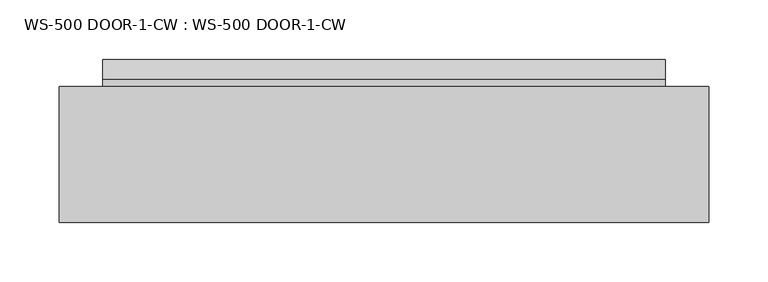
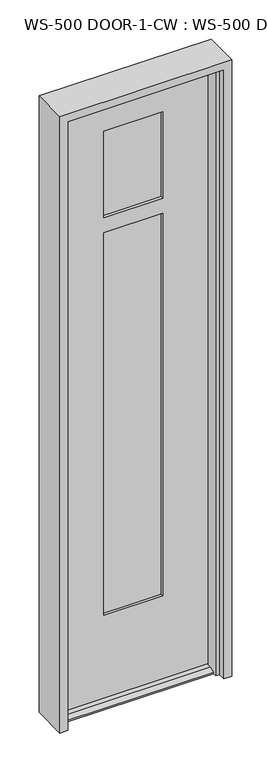
"""IFC4 building model written with IfcOpenShell, lengths in millimetres: plate geometry, WS-500 DOOR-1-CW : WS-500 DOOR-1-CW."""

from ifc_helpers import new_model, si_unit, frame, origin, place, context, project, spatial, polyline, outline, extrude, faceted_brep, source, transform, mapped, element, save


def ws_500_door_1_cw_ws_500_door_1_cw_e12da653(model_context):
    return source(origin(), model_context, "Body", "SolidModel", [
        extrude(outline(polyline([(100.5787259, -35.7835632), (100.5787259, -42.0827632), (-100.3353659, -42.0827632), (-100.3353659, -35.7835632), (100.5787259, -35.7835632)])), frame((0.0, 0.0, 1619.2500004), z_axis=(0.0, 0.0, 1.0), x_axis=(1.0, 0.0, 0.0)), (0.0, 0.0, 1.0), 304.8),
        extrude(outline(polyline([(100.5787259, -54.8843632), (100.5787259, -61.1835632), (-100.3353659, -61.1835632), (-100.3353659, -54.8843632), (100.5787259, -54.8843632)])), frame((0.0, 0.0, 1619.2500004), z_axis=(0.0, 0.0, 1.0), x_axis=(1.0, 0.0, 0.0)), (0.0, 0.0, 1.0), 304.8),
        extrude(outline(polyline([(100.5787259, -35.7835632), (100.5787259, -42.0827632), (-100.3353659, -42.0827632), (-100.3353659, -35.7835632), (100.5787259, -35.7835632)])), frame((0.0, 0.0, 283.36875), z_axis=(0.0, 0.0, 1.0), x_axis=(1.0, 0.0, 0.0)), (0.0, 0.0, 1.0), 1299.3687504),
        extrude(outline(polyline([(100.5787259, -54.8843632), (100.5787259, -61.1835632), (-100.3353659, -61.1835632), (-100.3353659, -54.8843632), (100.5787259, -54.8843632)])), frame((0.0, 0.0, 283.36875), z_axis=(0.0, 0.0, 1.0), x_axis=(1.0, 0.0, 0.0)), (0.0, 0.0, 1.0), 1299.3687504),
        faceted_brep([(93.4349759, -26.2585632, 1916.9062504), (93.4349759, -35.7835632, 1916.9062504), (-93.1916159, -35.7835632, 1916.9062504), (-93.1916159, -26.2585632, 1916.9062504), (100.5787259, -35.7835632, 1924.0500004), (100.5787259, -61.1835632, 1924.0500004), (-100.3353659, -61.1835632, 1924.0500004), (-100.3353659, -35.7835632, 1924.0500004), (93.4349759, -61.1835632, 1916.9062504), (93.4349759, -70.7085632, 1916.9062504), (-93.1916159, -70.7085632, 1916.9062504), (-93.1916159, -61.1835632, 1916.9062504), (236.7163759, -70.7085632, 12.7), (236.7163759, -87.3583086, 12.7), (236.7163759, -104.046154, 4.9183299), (236.7163759, -104.046154, 0.0), (236.7163759, -70.7085632, 0.0), (236.7163759, -2.4460632, 0.0), (236.7163759, -2.4460632, 4.9183299), (236.7163759, -19.1339086, 12.7), (236.7163759, -26.2585632, 12.7), (236.7163759, -26.2585632, 0.0), (-236.4730159, -26.2585632, 12.7), (-236.4730159, -19.1339086, 12.7), (-236.4730159, -2.4460632, 4.9183299), (-236.4730159, -2.4460632, 0.0), (-236.4730159, -26.2585632, 0.0), (-236.4730159, -104.046154, 0.0), (-236.4730159, -104.046154, 4.9183299), (-236.4730159, -87.3583086, 12.7), (-236.4730159, -70.7085632, 12.7), (-236.4730159, -70.7085632, 0.0), (93.4349759, -35.7835632, 290.5125), (93.4349759, -26.2585632, 290.5125), (-93.1916159, -26.2585632, 290.5125), (-93.1916159, -35.7835632, 290.5125), (100.5787259, -61.1835632, 283.36875), (100.5787259, -35.7835632, 283.36875), (-100.3353659, -35.7835632, 283.36875), (-100.3353659, -61.1835632, 283.36875), (93.4349759, -70.7085632, 290.5125), (93.4349759, -61.1835632, 290.5125), (-93.1916159, -61.1835632, 290.5125), (-93.1916159, -70.7085632, 290.5125), (93.4349759, -26.2585632, 1626.3937504), (-93.1916159, -26.2585632, 1626.3937504), (-93.1916159, -35.7835632, 1626.3937504), (93.4349759, -35.7835632, 1626.3937504), (-100.3353659, -61.1835632, 1619.2500004), (100.5787259, -61.1835632, 1619.2500004), (100.5787259, -35.7835632, 1619.2500004), (-100.3353659, -35.7835632, 1619.2500004), (93.4349759, -61.1835632, 1626.3937504), (-93.1916159, -61.1835632, 1626.3937504), (-93.1916159, -70.7085632, 1626.3937504), (93.4349759, -70.7085632, 1626.3937504), (-93.1916159, -61.1835632, 1575.5937504), (93.4349759, -61.1835632, 1575.5937504), (93.4349759, -70.7085632, 1575.5937504), (-93.1916159, -70.7085632, 1575.5937504), (100.5787259, -61.1835632, 1582.7375004), (-100.3353659, -61.1835632, 1582.7375004), (-100.3353659, -35.7835632, 1582.7375004), (100.5787259, -35.7835632, 1582.7375004), (-93.1916159, -26.2585632, 1575.5937504), (93.4349759, -26.2585632, 1575.5937504), (93.4349759, -35.7835632, 1575.5937504), (-93.1916159, -35.7835632, 1575.5937504), (-236.4730159, -70.7085632, 2037.5562504), (-239.2416159, -26.2585632, 2037.5562504), (-239.2416159, -26.2585632, 0.0), (239.4849759, -26.2585632, 2037.5562504), (236.7163759, -70.7085632, 2037.5562504), (239.4849759, -26.2585632, 0.0)], [[[0, 1, 2, 3]], [[4, 5, 6, 7]], [[8, 9, 10, 11]], [[12, 13, 14, 15, 16]], [[17, 18, 19, 20, 21]], [[22, 23, 24, 25, 26]], [[27, 28, 29, 30, 31]], [[32, 33, 34, 35]], [[36, 37, 38, 39]], [[40, 41, 42, 43]], [[13, 12, 30, 29]], [[20, 19, 23, 22]], [[44, 45, 46, 47]], [[48, 49, 50, 51]], [[52, 53, 54, 55]], [[56, 57, 58, 59]], [[60, 61, 62, 63]], [[64, 65, 66, 67]], [[14, 13, 29, 28]], [[15, 14, 28, 27]], [[18, 17, 25, 24]], [[19, 18, 24, 23]], [[11, 10, 54, 53]], [[43, 42, 56, 59]], [[51, 7, 6, 48]], [[61, 39, 38, 62]], [[3, 2, 46, 45]], [[35, 34, 64, 67]], [[68, 69, 70, 31, 30]], [[71, 72, 12, 16, 73]], [[1, 0, 44, 47]], [[33, 32, 66, 65]], [[38, 37, 63, 62], [32, 35, 67, 66]], [[4, 7, 51, 50], [2, 1, 47, 46]], [[63, 37, 36, 60]], [[49, 5, 4, 50]], [[6, 5, 49, 48], [8, 11, 53, 52]], [[36, 39, 61, 60], [42, 41, 57, 56]], [[9, 8, 52, 55]], [[41, 40, 58, 57]], [[12, 72, 68, 30], [43, 59, 58, 40], [10, 9, 55, 54]], [[71, 73, 21, 20, 22, 26, 70, 69], [0, 3, 45, 44], [33, 65, 64, 34]], [[72, 71, 69, 68]], [[73, 16, 15, 27, 31, 70, 26, 25, 17, 21]]]),
        faceted_brep([(-273.0500001, -139.7, 2070.1000004), (-273.0500001, -25.4, 2070.1000004), (-273.0500001, -25.4, 0.0), (-273.0500001, -139.7, 0.0), (273.0500001, -25.4, 2070.1000004), (273.0500001, -139.7, 2070.1000004), (273.0500001, -139.7, 0.0), (273.0500001, -25.4, 0.0), (234.9500001, -116.713, 0.0), (247.6500001, -116.713, 0.0), (247.6500001, -116.713, 2044.7000004), (-247.6500001, -116.713, 2044.7000004), (-247.6500001, -116.713, 0.0), (-234.9500001, -116.713, 0.0), (-234.9500001, -116.713, 2032.0000004), (234.9500001, -116.713, 2032.0000004), (247.6500001, -139.7, 2044.7000004), (-247.6500001, -139.7, 2044.7000004), (-247.6500001, -139.7, 0.0), (247.6500001, -139.7, 0.0), (247.6500001, -25.4, 0.0), (247.6500001, -25.4, 2044.7000004), (-247.6500001, -25.4, 2044.7000004), (-247.6500001, -25.4, 0.0), (247.6500001, -75.438, 2044.7000004), (-247.6500001, -75.438, 2044.7000004), (247.6500001, -75.438, 0.0), (234.9500001, -75.438, 0.0), (234.9500001, -75.438, 2032.0000004), (-234.9500001, -75.438, 2032.0000004), (-234.9500001, -75.438, 0.0), (-247.6500001, -75.438, 0.0)], [[[0, 1, 2, 3]], [[4, 5, 6, 7]], [[8, 9, 10, 11, 12, 13, 14, 15]], [[11, 10, 16, 17]], [[0, 3, 18, 17, 16, 19, 6, 5]], [[4, 1, 0, 5]], [[2, 1, 4, 7, 20, 21, 22, 23]], [[21, 24, 25, 22]], [[26, 27, 28, 29, 30, 31, 25, 24]], [[28, 15, 14, 29]], [[27, 26, 20, 7, 6, 19, 9, 8]], [[20, 26, 24, 21]], [[9, 19, 16, 10]], [[27, 8, 15, 28]], [[30, 13, 12, 18, 3, 2, 23, 31]], [[13, 30, 29, 14]], [[18, 12, 11, 17]], [[25, 31, 23, 22]]]),
    ])


if __name__ == "__main__":
    model = new_model("IFC4")
    model_context = context("Model", 3, world=origin())
    ifc_project = project(units=[si_unit("LENGTHUNIT", "METRE", prefix="MILLI")], contexts=[model_context])
    site = spatial("IfcSite", under=ifc_project)
    building = spatial("IfcBuilding", under=site)
    placement = place(None, origin())
    ws_500_door_1_cw_ws_500_door_1_cw_shape = ws_500_door_1_cw_ws_500_door_1_cw_e12da653(model_context)
    element("IfcPlate", 1, ObjectType="WS-500 DOOR-1-CW : WS-500 DOOR-1-CW", at=placement, inside=building, context=model_context, shape_type="MappedRepresentation", body=[
        mapped(ws_500_door_1_cw_ws_500_door_1_cw_shape, transform((0.0, 0.0, 0.0), x_axis=(1.0, 0.0, 0.0), y_axis=(0.0, 1.0, 0.0), z_axis=(0.0, 0.0, 1.0))),
    ])
    save(model, "model.ifc")
